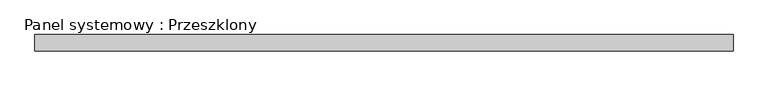
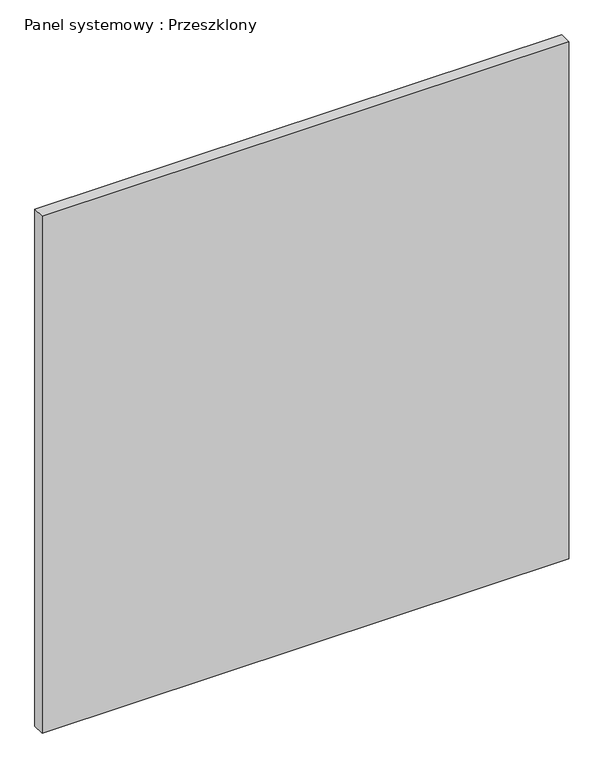
"""IFC4 building model written with IfcOpenShell, lengths in millimetres: plate geometry, Panel systemowy : Przeszklony."""

from ifc_helpers import new_model, si_unit, origin, origin_with_axes, place, context, project, spatial, polyline, outline, extrude, source, transform, mapped, element, save


def panel_systemowy_przeszklony_151b6255(model_context):
    return source(origin(), model_context, "Body", "SweptSolid", [
        extrude(outline(polyline([(535.0, -12.5), (-535.0, -12.5), (-535.0, 12.5), (535.0, 12.5), (535.0, -12.5)])), origin_with_axes(), (0.0, 0.0, 1.0), 1109.7005384),
    ])


if __name__ == "__main__":
    model = new_model("IFC4")
    model_context = context("Model", 3, world=origin())
    ifc_project = project(units=[si_unit("LENGTHUNIT", "METRE", prefix="MILLI")], contexts=[model_context])
    site = spatial("IfcSite", under=ifc_project)
    building = spatial("IfcBuilding", under=site)
    placement = place(None, origin())
    panel_systemowy_przeszklony_shape = panel_systemowy_przeszklony_151b6255(model_context)
    element("IfcPlate", 1, ObjectType="Panel systemowy : Przeszklony", at=placement, inside=building, context=model_context, shape_type="MappedRepresentation", body=[
        mapped(panel_systemowy_przeszklony_shape, transform((0.0, 0.0, 0.0), x_axis=(1.0, 0.0, 0.0), y_axis=(0.0, 1.0, 0.0), z_axis=(0.0, 0.0, 1.0))),
    ])
    save(model, "model.ifc")
